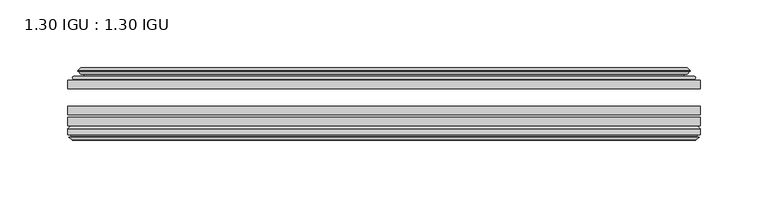
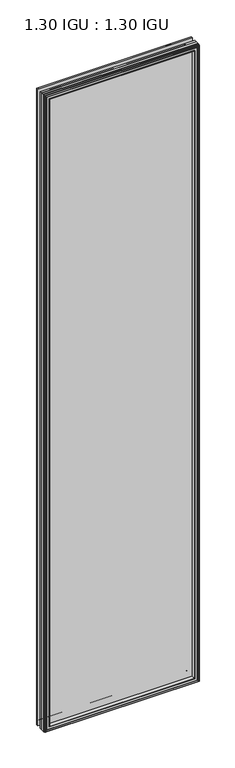
"""IFC4 building model written with IfcOpenShell, lengths in millimetres: plate geometry, 1.30 IGU : 1.30 IGU."""

from ifc_helpers import new_model, si_unit, frame, origin, place, context, project, spatial, polyline, ellipse_curve, outline, extrude, faceted_brep, source, transform, mapped, element, save
from ifc_brep_helpers import plane_surface, cylinder_surface, revolved_surface, advanced_brep


def plate_1_30_igu_1_30_igu_64b29efd(model_context):
    return source(origin(), model_context, "Body", "SolidModel", [
        extrude(outline(polyline([(233.2796782, -44.92625), (233.2796782, -51.27625), (-233.346625, -51.27625), (-233.346625, -44.92625), (233.2796782, -44.92625)])), frame((0.0, 0.0, -14.2875), z_axis=(0.0, 0.0, 1.0), x_axis=(1.0, 0.0, 0.0)), (0.0, 0.0, 1.0), 2025.65),
        extrude(outline(polyline([(-233.346625, -78.58125), (-233.346625, -72.23125), (233.2796782, -72.23125), (233.2796782, -78.58125), (-233.346625, -78.58125)])), frame((0.0, 0.0, -14.2875), z_axis=(0.0, 0.0, 1.0), x_axis=(1.0, 0.0, 0.0)), (0.0, 0.0, 1.0), 2025.65),
        extrude(outline(polyline([(-233.346625, -70.32625), (-233.346625, -63.97625), (233.2796782, -63.97625), (233.2796782, -70.32625), (-233.346625, -70.32625)])), frame((0.0, 0.0, -14.2875), z_axis=(0.0, 0.0, 1.0), x_axis=(1.0, 0.0, 0.0)), (0.0, 0.0, 1.0), 2025.65),
        advanced_brep(
        [(-215.0114152, -43.8351483, 1993.0272902), (-215.4532254, -44.92625, 1993.4691004), (-215.4532254, -44.92625, 3.6058996), (-215.0114152, -43.8351483, 4.0477098), (-219.059125, -36.11245, 1997.075), (-219.059125, -36.11245, 0.0), (-224.2450359, -37.2935491, 2002.2609109), (-224.2450359, -37.2935491, -5.1859109), (-223.9154606, -36.4664324, 2001.9313356), (-223.9154606, -36.4664324, -4.8563356), (-223.9154606, -35.6521812, 2001.9313356), (-223.9154606, -35.6521812, -4.8563356), (-225.7317361, -37.610817, 2003.7476111), (-225.7317361, -37.610817, -6.6726111), (-225.7317361, -38.3239429, 2003.7476111), (-225.7317361, -38.3239429, -6.6726111), (-223.9154606, -40.2727974, 2001.9313356), (-223.9154606, -40.2727974, -4.8563356), (-223.9154606, -39.4683275, 2001.9313356), (-223.9154606, -39.4683275, -4.8563356), (-224.2373751, -38.6604367, 2002.2532501), (-224.2373751, -38.6604367, -5.1782501), (-221.7135629, -38.502045, 1999.7294379), (-221.7135629, -38.502045, -2.6544379), (-220.6877467, -39.1897544, 1998.7036217), (-220.6877467, -39.1897544, -1.6286217), (-220.8061538, -40.5842231, 1998.8220288), (-220.8061538, -40.5842231, -1.7470288), (-221.4078998, -42.08145, 1999.4237748), (-221.4078998, -42.08145, -2.3487748), (-229.3336803, -43.9898729, 2007.3495553), (-228.8480495, -42.08145, 2006.8639245), (-228.8480495, -42.08145, -9.7889245), (-229.3336803, -43.9898729, -10.2745553), (-227.6129405, -44.92625, 2005.6288155), (-227.6129405, -44.92625, -8.5538155), (215.4532254, -44.92625, 3.6058996), (215.0114152, -43.8351483, 4.0477098), (219.059125, -36.11245, 0.0), (224.2450359, -37.2935491, -5.1859109), (223.9154606, -36.4664324, -4.8563356), (223.9154606, -35.6521812, -4.8563356), (225.7317361, -37.610817, -6.6726111), (225.7317361, -38.3239429, -6.6726111), (223.9154606, -40.2727974, -4.8563356), (223.9154606, -39.4683275, -4.8563356), (224.2373751, -38.6604367, -5.1782501), (221.7135629, -38.502045, -2.6544379), (220.6877467, -39.1897544, -1.6286217), (220.8061538, -40.5842231, -1.7470288), (221.4078998, -42.08145, -2.3487748), (228.8480495, -42.08145, -9.7889245), (229.3336803, -43.9898729, -10.2745553), (227.6129405, -44.92625, -8.5538155), (215.4532254, -44.92625, 1993.4691004), (215.0114152, -43.8351483, 1993.0272902), (219.059125, -36.11245, 1997.075), (224.2450359, -37.2935491, 2002.2609109), (223.9154606, -36.4664324, 2001.9313356), (223.9154606, -35.6521812, 2001.9313356), (225.7317361, -37.610817, 2003.7476111), (225.7317361, -38.3239429, 2003.7476111), (223.9154606, -40.2727974, 2001.9313356), (223.9154606, -39.4683275, 2001.9313356), (224.2373751, -38.6604367, 2002.2532501), (221.7135629, -38.502045, 1999.7294379), (220.6877467, -39.1897544, 1998.7036217), (220.8061538, -40.5842231, 1998.8220288), (221.4078998, -42.08145, 1999.4237748), (228.8480495, -42.08145, 2006.8639245), (229.3336803, -43.9898729, 2007.3495553), (227.6129405, -44.92625, 2005.6288155)],
        [
            (0, 1, ellipse_curve(frame((-215.4532254, -44.29125, 1993.4691004), z_axis=(-0.7071067811865475, 0.0, -0.7071067811865475), x_axis=(-0.7071067811865474, 0.0, 0.7071067811865476)), 0.8980256, 0.635)),
            (1, 2),
            (2, 3, ellipse_curve(frame((-215.4532254, -44.29125, 3.6058996), z_axis=(-0.7071067811865475, 0.0, 0.7071067811865475), x_axis=(0.7071067811865474, 0.0, 0.7071067811865476)), 0.8980256, 0.635)),
            (3, 0),
            (4, 0, ellipse_curve(frame((-205.3263304, -33.8367745, 1983.3422054), z_axis=(0.7071067811865475, 0.0, 0.7071067811865475), x_axis=(0.7071067811865474, 0.0, -0.7071067811865476)), 19.6859517, 13.9200699)),
            (3, 5, ellipse_curve(frame((-205.3263304, -33.8367745, 13.7327946), z_axis=(0.7071067811865475, 0.0, -0.7071067811865475), x_axis=(-0.7071067811865474, 0.0, -0.7071067811865476)), 19.6859517, 13.9200699)),
            (5, 4),
            (6, 4),
            (5, 7),
            (7, 6),
            (8, 6),
            (7, 9),
            (9, 8),
            (10, 8),
            (9, 11),
            (11, 10),
            (12, 10),
            (11, 13),
            (13, 12),
            (14, 12, ellipse_curve(frame((-225.3698979, -37.96738, 2003.3857729), z_axis=(-0.7071067811865475, 0.0, -0.7071067811865475), x_axis=(-0.7071067811865474, 0.0, 0.7071067811865476)), 0.7184205, 0.508)),
            (13, 15, ellipse_curve(frame((-225.3698979, -37.96738, -6.3107729), z_axis=(-0.7071067811865475, 0.0, 0.7071067811865475), x_axis=(0.7071067811865474, 0.0, 0.7071067811865476)), 0.7184205, 0.508)),
            (15, 14),
            (16, 14),
            (15, 17),
            (17, 16),
            (18, 16),
            (17, 19),
            (19, 18),
            (20, 18),
            (19, 21),
            (21, 20),
            (22, 20),
            (21, 23),
            (23, 22),
            (24, 22, ellipse_curve(frame((-221.649925, -39.51605, 1999.6658), z_axis=(0.7071067811865475, 0.0, 0.7071067811865475), x_axis=(0.7071067811865474, 0.0, -0.7071067811865476)), 1.436841, 1.016)),
            (23, 25, ellipse_curve(frame((-221.649925, -39.51605, -2.5908), z_axis=(0.7071067811865475, 0.0, -0.7071067811865475), x_axis=(-0.7071067811865474, 0.0, -0.7071067811865476)), 1.436841, 1.016)),
            (25, 24),
            (26, 24, ellipse_curve(frame((-223.021525, -39.69385, 2001.0374), z_axis=(0.7071067811865475, 0.0, 0.7071067811865475), x_axis=(0.7071067811865474, 0.0, -0.7071067811865476)), 3.3765763, 2.3876)),
            (25, 27, ellipse_curve(frame((-223.021525, -39.69385, -3.9624), z_axis=(0.7071067811865475, 0.0, -0.7071067811865475), x_axis=(-0.7071067811865474, 0.0, -0.7071067811865476)), 3.3765763, 2.3876)),
            (27, 26),
            (28, 26),
            (27, 29),
            (29, 28),
            (30, 31, ellipse_curve(frame((-228.8480495, -43.09745, 2006.8639245), z_axis=(-0.7071067811865475, 0.0, -0.7071067811865475), x_axis=(-0.7071067811865474, 0.0, 0.7071067811865476)), 1.436841, 1.016)),
            (31, 32),
            (32, 33, ellipse_curve(frame((-228.8480495, -43.09745, -9.7889245), z_axis=(-0.7071067811865475, 0.0, 0.7071067811865475), x_axis=(0.7071067811865474, 0.0, 0.7071067811865476)), 1.436841, 1.016)),
            (33, 30),
            (34, 30),
            (33, 35),
            (35, 34),
            (2, 36),
            (36, 37, ellipse_curve(frame((215.4532254, -44.29125, 3.6058996), z_axis=(-0.7071067811865475, 0.0, -0.7071067811865475), x_axis=(-0.7071067811865476, 0.0, 0.7071067811865474)), 0.8980256, 0.635)),
            (37, 3),
            (37, 38, ellipse_curve(frame((205.3263304, -33.8367745, 13.7327946), z_axis=(0.7071067811865475, 0.0, 0.7071067811865475), x_axis=(0.7071067811865476, 0.0, -0.7071067811865474)), 19.6859517, 13.9200699)),
            (38, 5),
            (38, 39),
            (39, 7),
            (39, 40),
            (40, 9),
            (40, 41),
            (41, 11),
            (41, 42),
            (42, 13),
            (42, 43, ellipse_curve(frame((225.3698979, -37.96738, -6.3107729), z_axis=(-0.7071067811865475, 0.0, -0.7071067811865475), x_axis=(-0.7071067811865476, 0.0, 0.7071067811865474)), 0.7184205, 0.508)),
            (43, 15),
            (43, 44),
            (44, 17),
            (44, 45),
            (45, 19),
            (45, 46),
            (46, 21),
            (46, 47),
            (47, 23),
            (47, 48, ellipse_curve(frame((221.649925, -39.51605, -2.5908), z_axis=(0.7071067811865475, 0.0, 0.7071067811865475), x_axis=(0.7071067811865476, 0.0, -0.7071067811865474)), 1.436841, 1.016)),
            (48, 25),
            (48, 49, ellipse_curve(frame((223.021525, -39.69385, -3.9624), z_axis=(0.7071067811865475, 0.0, 0.7071067811865475), x_axis=(0.7071067811865476, 0.0, -0.7071067811865474)), 3.3765763, 2.3876)),
            (49, 27),
            (49, 50),
            (50, 29),
            (32, 51),
            (51, 52, ellipse_curve(frame((228.8480495, -43.09745, -9.7889245), z_axis=(-0.7071067811865475, 0.0, -0.7071067811865475), x_axis=(-0.7071067811865476, 0.0, 0.7071067811865474)), 1.436841, 1.016)),
            (52, 33),
            (52, 53),
            (53, 35),
            (36, 54),
            (54, 55, ellipse_curve(frame((215.4532254, -44.29125, 1993.4691004), z_axis=(0.7071067811865475, 0.0, -0.7071067811865475), x_axis=(-0.7071067811865474, 0.0, -0.7071067811865476)), 0.8980256, 0.635)),
            (55, 37),
            (55, 56, ellipse_curve(frame((205.3263304, -33.8367745, 1983.3422054), z_axis=(-0.7071067811865475, 0.0, 0.7071067811865475), x_axis=(0.7071067811865474, 0.0, 0.7071067811865476)), 19.6859517, 13.9200699)),
            (56, 38),
            (56, 57),
            (57, 39),
            (57, 58),
            (58, 40),
            (58, 59),
            (59, 41),
            (59, 60),
            (60, 42),
            (60, 61, ellipse_curve(frame((225.3698979, -37.96738, 2003.3857729), z_axis=(0.7071067811865475, 0.0, -0.7071067811865475), x_axis=(-0.7071067811865474, 0.0, -0.7071067811865476)), 0.7184205, 0.508)),
            (61, 43),
            (61, 62),
            (62, 44),
            (62, 63),
            (63, 45),
            (63, 64),
            (64, 46),
            (64, 65),
            (65, 47),
            (65, 66, ellipse_curve(frame((221.649925, -39.51605, 1999.6658), z_axis=(-0.7071067811865475, 0.0, 0.7071067811865475), x_axis=(0.7071067811865474, 0.0, 0.7071067811865476)), 1.436841, 1.016)),
            (66, 48),
            (66, 67, ellipse_curve(frame((223.021525, -39.69385, 2001.0374), z_axis=(-0.7071067811865475, 0.0, 0.7071067811865475), x_axis=(0.7071067811865474, 0.0, 0.7071067811865476)), 3.3765763, 2.3876)),
            (67, 49),
            (67, 68),
            (68, 50),
            (51, 69),
            (69, 70, ellipse_curve(frame((228.8480495, -43.09745, 2006.8639245), z_axis=(0.7071067811865475, 0.0, -0.7071067811865475), x_axis=(-0.7071067811865474, 0.0, -0.7071067811865476)), 1.436841, 1.016)),
            (70, 52),
            (70, 71),
            (71, 53),
            (54, 1),
            (0, 55),
            (4, 56),
            (6, 57),
            (8, 58),
            (10, 59),
            (12, 60),
            (14, 61),
            (16, 62),
            (18, 63),
            (20, 64),
            (22, 65),
            (24, 66),
            (26, 67),
            (28, 68),
            (31, 69),
            (30, 70),
            (34, 71),
        ],
        [
            cylinder_surface(frame((-215.4532254, -44.29125, 2028.825), z_axis=(0.0, 0.0, 1.0), x_axis=(-1.0, 0.0, 0.0)), 0.635),
            revolved_surface(polyline([(-219.24640029999998, -33.8367745, -0.18727534118079348), (-219.24640029999998, -33.8367745, 1997.2622753411808)]), (-205.3263304, -33.8367745, 2028.825), (0.0, 0.0, -1.0)),
            plane_surface(frame((-219.059125, -36.11245, 1997.075), z_axis=(-0.22206498442778658, 0.975031867525922, 0.0), x_axis=(0.0, 0.0, -1.0))),
            plane_surface(frame((-224.2450359, -37.2935491, 2002.2609109), z_axis=(0.9289682685629922, -0.3701593656833182, 0.0), x_axis=(0.0, 0.0, -1.0))),
            plane_surface(frame((-223.9154606, -36.4664324, 2001.9313356), z_axis=(1.0, 0.0, 0.0), x_axis=(0.0, 0.0, -1.0))),
            plane_surface(frame((-223.9154606, -35.6521812, 2001.9313356), z_axis=(-0.7332521292723956, 0.6799568478348447, 0.0), x_axis=(0.0, 0.0, -1.0))),
            cylinder_surface(frame((-225.3698979, -37.96738, 2028.825), z_axis=(0.0, 0.0, 1.0), x_axis=(-1.0, 0.0, 0.0)), 0.508),
            plane_surface(frame((-225.7317361, -38.3239429, 2003.7476111), z_axis=(-0.7315522693036389, -0.6817853601220082, 0.0), x_axis=(0.0, 0.0, -1.0))),
            plane_surface(frame((-223.9154606, -40.2727974, 2001.9313356), z_axis=(1.0, 0.0, 0.0), x_axis=(0.0, 0.0, -1.0))),
            plane_surface(frame((-223.9154606, -39.4683275, 2001.9313356), z_axis=(0.9289682685631103, 0.37015936568302166, 0.0), x_axis=(0.0, 0.0, -1.0))),
            plane_surface(frame((-224.2373751, -38.6604367, 2002.2532501), z_axis=(0.06263570119321644, -0.9980364567169048, 0.0), x_axis=(0.0, 0.0, -1.0))),
            revolved_surface(polyline([(-222.665925, -39.51605, -3.6068000145867245), (-222.665925, -39.51605, 2000.6818000145868)]), (-221.649925, -39.51605, 2028.825), (0.0, 0.0, -1.0)),
            revolved_surface(polyline([(-225.409125, -39.69385, -6.3499999989237494), (-225.409125, -39.69385, 2003.4249999989238)]), (-223.021525, -39.69385, 2028.825), (0.0, 0.0, -1.0)),
            plane_surface(frame((-220.8061538, -40.5842231, 1998.8220288), z_axis=(-0.9278652925428912, 0.372915538553028, 0.0), x_axis=(0.0, 0.0, -1.0))),
            cylinder_surface(frame((-228.8480495, -43.09745, 2028.825), z_axis=(0.0, 0.0, 1.0), x_axis=(-1.0, 0.0, 0.0)), 1.016),
            plane_surface(frame((-229.3336803, -43.9898729, 2007.3495553), z_axis=(-0.477983117370979, -0.8783690223979447, 0.0), x_axis=(0.0, 0.0, -1.0))),
            cylinder_surface(frame((-250.809125, -44.29125, 3.6058996), z_axis=(-1.0, 0.0, 0.0), x_axis=(0.0, 0.0, -1.0)), 0.635),
            revolved_surface(polyline([(219.2464003411808, -33.8367745, -0.1872752999999996), (-219.24640034118084, -33.8367745, -0.1872752999999996)]), (-250.809125, -33.8367745, 13.7327946), (1.0, 0.0, 0.0)),
            plane_surface(frame((-219.059125, -36.11245, 0.0), z_axis=(0.0, 0.9750318675259213, -0.22206498442778974), x_axis=(1.0, 0.0, 0.0))),
            plane_surface(frame((-224.2450359, -37.2935491, -5.1859109), z_axis=(0.0, -0.3701593656833152, 0.9289682685629934), x_axis=(1.0, 0.0, 0.0))),
            plane_surface(frame((-223.9154606, -36.4664324, -4.8563356), z_axis=(0.0, 0.0, 1.0), x_axis=(1.0, 0.0, 0.0))),
            plane_surface(frame((-223.9154606, -35.6521812, -4.8563356), z_axis=(0.0, 0.6799568478348423, -0.7332521292723978), x_axis=(1.0, 0.0, 0.0))),
            cylinder_surface(frame((-250.809125, -37.96738, -6.3107729), z_axis=(-1.0, 0.0, 0.0), x_axis=(0.0, 0.0, -1.0)), 0.508),
            plane_surface(frame((-225.7317361, -38.3239429, -6.6726111), z_axis=(0.0, -0.6817853601220105, -0.7315522693036367), x_axis=(1.0, 0.0, 0.0))),
            plane_surface(frame((-223.9154606, -40.2727974, -4.8563356), z_axis=(0.0, 0.0, 1.0), x_axis=(1.0, 0.0, 0.0))),
            plane_surface(frame((-223.9154606, -39.4683275, -4.8563356), z_axis=(0.0, 0.37015936568302465, 0.9289682685631091), x_axis=(1.0, 0.0, 0.0))),
            plane_surface(frame((-224.2373751, -38.6604367, -5.1782501), z_axis=(0.0, -0.9980364567169046, 0.06263570119321968), x_axis=(1.0, 0.0, 0.0))),
            revolved_surface(polyline([(222.66592501458683, -39.51605, -3.6068000000000002), (-222.66592501458686, -39.51605, -3.6068000000000002)]), (-250.809125, -39.51605, -2.5908), (1.0, 0.0, 0.0)),
            revolved_surface(polyline([(225.4091249989238, -39.69385, -6.35), (-225.40912499892377, -39.69385, -6.35)]), (-250.809125, -39.69385, -3.9624), (1.0, 0.0, 0.0)),
            plane_surface(frame((-220.8061538, -40.5842231, -1.7470288), z_axis=(0.0, 0.372915538553025, -0.9278652925428924), x_axis=(1.0, 0.0, 0.0))),
            cylinder_surface(frame((-250.809125, -43.09745, -9.7889245), z_axis=(-1.0, 0.0, 0.0), x_axis=(0.0, 0.0, -1.0)), 1.016),
            plane_surface(frame((-229.3336803, -43.9898729, -10.2745553), z_axis=(0.0, -0.8783690223979462, -0.47798311737097615), x_axis=(1.0, 0.0, 0.0))),
            cylinder_surface(frame((215.4532254, -44.29125, -31.75), z_axis=(0.0, 0.0, -1.0), x_axis=(1.0, 0.0, 0.0)), 0.635),
            revolved_surface(polyline([(219.24640029999998, -33.8367745, 1997.2622753411808), (219.24640029999998, -33.8367745, -0.1872753411808432)]), (205.3263304, -33.8367745, -31.75), (0.0, 0.0, 1.0)),
            plane_surface(frame((219.059125, -36.11245, 0.0), z_axis=(0.22206498442779288, 0.9750318675259205, 0.0), x_axis=(0.0, 0.0, 1.0))),
            plane_surface(frame((224.2450359, -37.2935491, -5.1859109), z_axis=(-0.9289682685629946, -0.3701593656833122, 0.0), x_axis=(0.0, 0.0, 1.0))),
            plane_surface(frame((223.9154606, -36.4664324, -4.8563356), z_axis=(-1.0, 0.0, 0.0), x_axis=(0.0, 0.0, 1.0))),
            plane_surface(frame((223.9154606, -35.6521812, -4.8563356), z_axis=(0.7332521292724, 0.67995684783484, 0.0), x_axis=(0.0, 0.0, 1.0))),
            cylinder_surface(frame((225.3698979, -37.96738, -31.75), z_axis=(0.0, 0.0, -1.0), x_axis=(1.0, 0.0, 0.0)), 0.508),
            plane_surface(frame((225.7317361, -38.3239429, -6.6726111), z_axis=(0.7315522693036345, -0.6817853601220129, 0.0), x_axis=(0.0, 0.0, 1.0))),
            plane_surface(frame((223.9154606, -40.2727974, -4.8563356), z_axis=(-1.0, 0.0, 0.0), x_axis=(0.0, 0.0, 1.0))),
            plane_surface(frame((223.9154606, -39.4683275, -4.8563356), z_axis=(-0.928968268563108, 0.3701593656830277, 0.0), x_axis=(0.0, 0.0, 1.0))),
            plane_surface(frame((224.2373751, -38.6604367, -5.1782501), z_axis=(-0.06263570119322291, -0.9980364567169043, 0.0), x_axis=(0.0, 0.0, 1.0))),
            revolved_surface(polyline([(222.665925, -39.51605, 2000.6818000145868), (222.665925, -39.51605, -3.606800014586863)]), (221.649925, -39.51605, -31.75), (0.0, 0.0, 1.0)),
            revolved_surface(polyline([(225.409125, -39.69385, 2003.4249999989238), (225.409125, -39.69385, -6.349999998923781)]), (223.021525, -39.69385, -31.75), (0.0, 0.0, 1.0)),
            plane_surface(frame((220.8061538, -40.5842231, -1.7470288), z_axis=(0.9278652925428936, 0.372915538553022, 0.0), x_axis=(0.0, 0.0, 1.0))),
            cylinder_surface(frame((228.8480495, -43.09745, -31.75), z_axis=(0.0, 0.0, -1.0), x_axis=(1.0, 0.0, 0.0)), 1.016),
            plane_surface(frame((229.3336803, -43.9898729, -10.2745553), z_axis=(0.4779831173709733, -0.8783690223979478, 0.0), x_axis=(0.0, 0.0, 1.0))),
            cylinder_surface(frame((250.809125, -44.29125, 1993.4691004), z_axis=(1.0, 0.0, 0.0), x_axis=(0.0, 0.0, 1.0)), 0.635),
            revolved_surface(polyline([(-219.2464003411808, -33.8367745, 1997.2622753), (219.24640034118084, -33.8367745, 1997.2622753)]), (250.809125, -33.8367745, 1983.3422054), (-1.0, 0.0, 0.0)),
            plane_surface(frame((219.059125, -36.11245, 1997.075), z_axis=(0.0, 0.9750318675259212, 0.2220649844277897), x_axis=(-1.0, 0.0, 0.0))),
            plane_surface(frame((224.2450359, -37.2935491, 2002.2609109), z_axis=(0.0, -0.3701593656833152, -0.9289682685629934), x_axis=(-1.0, 0.0, 0.0))),
            plane_surface(frame((223.9154606, -36.4664324, 2001.9313356), z_axis=(0.0, 0.0, -1.0), x_axis=(-1.0, 0.0, 0.0))),
            plane_surface(frame((223.9154606, -35.6521812, 2001.9313356), z_axis=(0.0, 0.6799568478348423, 0.7332521292723978), x_axis=(-1.0, 0.0, 0.0))),
            cylinder_surface(frame((250.809125, -37.96738, 2003.3857729), z_axis=(1.0, 0.0, 0.0), x_axis=(0.0, 0.0, 1.0)), 0.508),
            plane_surface(frame((225.7317361, -38.3239429, 2003.7476111), z_axis=(0.0, -0.6817853601220105, 0.7315522693036367), x_axis=(-1.0, 0.0, 0.0))),
            plane_surface(frame((223.9154606, -40.2727974, 2001.9313356), z_axis=(0.0, 0.0, -1.0), x_axis=(-1.0, 0.0, 0.0))),
            plane_surface(frame((223.9154606, -39.4683275, 2001.9313356), z_axis=(0.0, 0.3701593656830247, -0.9289682685631092), x_axis=(-1.0, 0.0, 0.0))),
            plane_surface(frame((224.2373751, -38.6604367, 2002.2532501), z_axis=(0.0, -0.9980364567169046, -0.06263570119321968), x_axis=(-1.0, 0.0, 0.0))),
            revolved_surface(polyline([(-222.66592501458683, -39.51605, 2000.6818), (222.66592501458686, -39.51605, 2000.6818)]), (250.809125, -39.51605, 1999.6658), (-1.0, 0.0, 0.0)),
            revolved_surface(polyline([(-225.4091249989238, -39.69385, 2003.425), (225.40912499892377, -39.69385, 2003.425)]), (250.809125, -39.69385, 2001.0374), (-1.0, 0.0, 0.0)),
            plane_surface(frame((220.8061538, -40.5842231, 1998.8220288), z_axis=(0.0, 0.372915538553025, 0.9278652925428924), x_axis=(-1.0, 0.0, 0.0))),
            plane_surface(frame((221.4078998, -42.08145, 1999.4237748), z_axis=(0.0, 1.0, 0.0), x_axis=(-1.0, 0.0, 0.0))),
            cylinder_surface(frame((250.809125, -43.09745, 2006.8639245), z_axis=(1.0, 0.0, 0.0), x_axis=(0.0, 0.0, 1.0)), 1.016),
            plane_surface(frame((229.3336803, -43.9898729, 2007.3495553), z_axis=(0.0, -0.8783690223979462, 0.47798311737097615), x_axis=(-1.0, 0.0, 0.0))),
            plane_surface(frame((227.6129405, -44.92625, 2005.6288155), z_axis=(0.0, -1.0, 0.0), x_axis=(-1.0, 0.0, 0.0))),
        ],
        [
            (0, [[1, 2, 3, 4]]),
            (1, [[5, -4, 6, 7]]),
            (2, [[8, -7, 9, 10]]),
            (3, [[11, -10, 12, 13]]),
            (4, [[14, -13, 15, 16]]),
            (5, [[17, -16, 18, 19]]),
            (6, [[20, -19, 21, 22]]),
            (7, [[23, -22, 24, 25]]),
            (8, [[26, -25, 27, 28]]),
            (9, [[29, -28, 30, 31]]),
            (10, [[32, -31, 33, 34]]),
            (11, [[35, -34, 36, 37]]),
            (12, [[38, -37, 39, 40]]),
            (13, [[41, -40, 42, 43]]),
            (14, [[44, 45, 46, 47]]),
            (15, [[48, -47, 49, 50]]),
            (16, [[-3, 51, 52, 53]]),
            (17, [[-6, -53, 54, 55]]),
            (18, [[-9, -55, 56, 57]]),
            (19, [[-12, -57, 58, 59]]),
            (20, [[-15, -59, 60, 61]]),
            (21, [[-18, -61, 62, 63]]),
            (22, [[-21, -63, 64, 65]]),
            (23, [[-24, -65, 66, 67]]),
            (24, [[-27, -67, 68, 69]]),
            (25, [[-30, -69, 70, 71]]),
            (26, [[-33, -71, 72, 73]]),
            (27, [[-36, -73, 74, 75]]),
            (28, [[-39, -75, 76, 77]]),
            (29, [[-42, -77, 78, 79]]),
            (30, [[-46, 80, 81, 82]]),
            (31, [[-49, -82, 83, 84]]),
            (32, [[-52, 85, 86, 87]]),
            (33, [[-54, -87, 88, 89]]),
            (34, [[-56, -89, 90, 91]]),
            (35, [[-58, -91, 92, 93]]),
            (36, [[-60, -93, 94, 95]]),
            (37, [[-62, -95, 96, 97]]),
            (38, [[-64, -97, 98, 99]]),
            (39, [[-66, -99, 100, 101]]),
            (40, [[-68, -101, 102, 103]]),
            (41, [[-70, -103, 104, 105]]),
            (42, [[-72, -105, 106, 107]]),
            (43, [[-74, -107, 108, 109]]),
            (44, [[-76, -109, 110, 111]]),
            (45, [[-78, -111, 112, 113]]),
            (46, [[-81, 114, 115, 116]]),
            (47, [[-83, -116, 117, 118]]),
            (48, [[-86, 119, -1, 120]]),
            (49, [[-88, -120, -5, 121]]),
            (50, [[-90, -121, -8, 122]]),
            (51, [[-92, -122, -11, 123]]),
            (52, [[-94, -123, -14, 124]]),
            (53, [[-96, -124, -17, 125]]),
            (54, [[-98, -125, -20, 126]]),
            (55, [[-100, -126, -23, 127]]),
            (56, [[-102, -127, -26, 128]]),
            (57, [[-104, -128, -29, 129]]),
            (58, [[-106, -129, -32, 130]]),
            (59, [[-108, -130, -35, 131]]),
            (60, [[-110, -131, -38, 132]]),
            (61, [[-112, -132, -41, 133]]),
            (62, [[134, -114, -80, -45], [-79, -113, -133, -43]]),
            (63, [[-115, -134, -44, 135]]),
            (64, [[-117, -135, -48, 136]]),
            (65, [[-84, -118, -136, -50], [-119, -85, -51, -2]]),
        ],
    ),
        faceted_brep([(-215.2049077, -78.58125, 1993.2207827), (-217.7712048, -87.47125, 1995.7870798), (-217.7712048, -87.47125, 1.2879202), (-215.2049077, -78.58125, 3.8542173), (-233.359325, -80.7883102, 2011.3752), (-231.1522648, -78.58125, 2009.1681398), (-231.1522648, -78.58125, -12.0931398), (-233.359325, -80.7883102, -14.3002), (-233.359325, -84.93125, 2011.3752), (-233.359325, -84.93125, -14.3002), (-230.9403025, -86.11489, 2008.9561775), (-231.7794932, -84.93125, 2009.7953682), (-231.7794932, -84.93125, -12.7203682), (-230.9403025, -86.11489, -11.8811775), (-230.743125, -87.4125884, 2008.759), (-230.743125, -87.4125884, -11.684), (-231.718785, -86.8828917, 2009.73466), (-231.718785, -86.8828917, -12.65966), (-230.184325, -88.6999663, 2008.2002), (-232.5114555, -86.8828917, 2010.5273305), (-232.5114555, -86.8828917, -13.4523305), (-230.184325, -88.6999663, -11.1252), (-227.8571945, -86.8828917, 2005.8730695), (-227.8571945, -86.8828917, -8.7980695), (-229.625525, -87.4125884, 2007.6414), (-228.649865, -86.8828917, 2006.66574), (-228.649865, -86.8828917, -9.59074), (-229.625525, -87.4125884, -10.5664), (-229.4283475, -86.11489, 2007.4442225), (-229.4283475, -86.11489, -10.3692225), (-228.558725, -84.93125, 2006.5746), (-228.558725, -84.93125, -9.4996), (-219.4104917, -87.47125, 1997.4263667), (-218.881325, -84.93125, 1996.8972), (-218.881325, -84.93125, 0.1778), (-219.4104917, -87.47125, -0.3513667), (217.7712048, -87.47125, 1.2879202), (215.2049077, -78.58125, 3.8542173), (231.1522648, -78.58125, -12.0931398), (233.359325, -80.7883102, -14.3002), (233.359325, -84.93125, -14.3002), (231.7794932, -84.93125, -12.7203682), (230.9403025, -86.11489, -11.8811775), (230.743125, -87.4125884, -11.684), (231.718785, -86.8828917, -12.65966), (232.5114555, -86.8828917, -13.4523305), (230.184325, -88.6999663, -11.1252), (227.8571945, -86.8828917, -8.7980695), (228.649865, -86.8828917, -9.59074), (229.625525, -87.4125884, -10.5664), (229.4283475, -86.11489, -10.3692225), (228.558725, -84.93125, -9.4996), (218.881325, -84.93125, 0.1778), (219.4104917, -87.47125, -0.3513667), (217.7712048, -87.47125, 1995.7870798), (215.2049077, -78.58125, 1993.2207827), (231.1522648, -78.58125, 2009.1681398), (233.359325, -80.7883102, 2011.3752), (233.359325, -84.93125, 2011.3752), (231.7794932, -84.93125, 2009.7953682), (230.9403025, -86.11489, 2008.9561775), (230.743125, -87.4125884, 2008.759), (231.718785, -86.8828917, 2009.73466), (232.5114555, -86.8828917, 2010.5273305), (230.184325, -88.6999663, 2008.2002), (227.8571945, -86.8828917, 2005.8730695), (228.649865, -86.8828917, 2006.66574), (229.625525, -87.4125884, 2007.6414), (229.4283475, -86.11489, 2007.4442225), (228.558725, -84.93125, 2006.5746), (218.881325, -84.93125, 1996.8972), (219.4104917, -87.47125, 1997.4263667)], [[[0, 1, 2, 3]], [[4, 5, 6, 7]], [[8, 4, 7, 9]], [[10, 11, 12, 13]], [[14, 10, 13, 15]], [[16, 14, 15, 17]], [[18, 19, 20, 21]], [[22, 18, 21, 23]], [[24, 25, 26, 27]], [[28, 24, 27, 29]], [[30, 28, 29, 31]], [[32, 33, 34, 35]], [[3, 2, 36, 37]], [[7, 6, 38, 39]], [[9, 7, 39, 40]], [[13, 12, 41, 42]], [[15, 13, 42, 43]], [[17, 15, 43, 44]], [[21, 20, 45, 46]], [[23, 21, 46, 47]], [[27, 26, 48, 49]], [[29, 27, 49, 50]], [[31, 29, 50, 51]], [[35, 34, 52, 53]], [[37, 36, 54, 55]], [[39, 38, 56, 57]], [[40, 39, 57, 58]], [[42, 41, 59, 60]], [[43, 42, 60, 61]], [[44, 43, 61, 62]], [[46, 45, 63, 64]], [[47, 46, 64, 65]], [[49, 48, 66, 67]], [[50, 49, 67, 68]], [[51, 50, 68, 69]], [[53, 52, 70, 71]], [[55, 54, 1, 0]], [[5, 56, 38, 6], [3, 37, 55, 0]], [[57, 56, 5, 4]], [[58, 57, 4, 8]], [[9, 40, 58, 8], [11, 59, 41, 12]], [[60, 59, 11, 10]], [[61, 60, 10, 14]], [[62, 61, 14, 16]], [[19, 63, 45, 20], [17, 44, 62, 16]], [[64, 63, 19, 18]], [[65, 64, 18, 22]], [[25, 66, 48, 26], [23, 47, 65, 22]], [[67, 66, 25, 24]], [[68, 67, 24, 28]], [[69, 68, 28, 30]], [[31, 51, 69, 30], [33, 70, 52, 34]], [[71, 70, 33, 32]], [[35, 53, 71, 32], [1, 54, 36, 2]]]),
    ])


if __name__ == "__main__":
    model = new_model("IFC4")
    model_context = context("Model", 3, world=origin())
    ifc_project = project(units=[si_unit("LENGTHUNIT", "METRE", prefix="MILLI")], contexts=[model_context])
    site = spatial("IfcSite", under=ifc_project)
    building = spatial("IfcBuilding", under=site)
    placement = place(None, origin())
    plate_1_30_igu_1_30_igu_shape = plate_1_30_igu_1_30_igu_64b29efd(model_context)
    element("IfcPlate", 1, ObjectType="1.30 IGU : 1.30 IGU", at=placement, inside=building, context=model_context, shape_type="MappedRepresentation", body=[
        mapped(plate_1_30_igu_1_30_igu_shape, transform((0.0, 0.0, 0.0), x_axis=(1.0, 0.0, 0.0), y_axis=(0.0, 1.0, 0.0), z_axis=(0.0, 0.0, 1.0))),
    ])
    save(model, "model.ifc")
